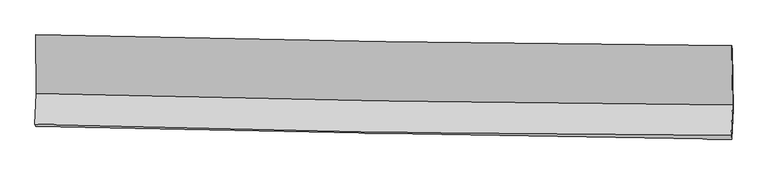
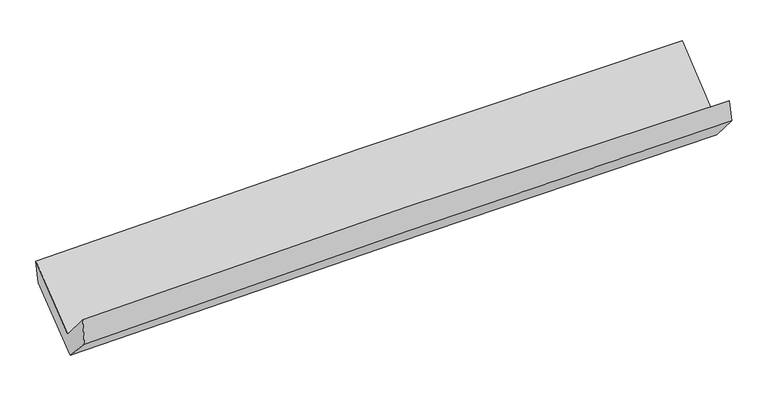
"""IFC4 building model written with IfcOpenShell, lengths in millimetres: proxy geometry."""

from ifc_helpers import new_model, si_unit, frame, origin, place, context, project, spatial, source, transform, mapped, element, save
from ifc_brep_helpers import plane_surface, spline_curve, spline_surface, advanced_brep


def generic_models_88f16576(model_context):
    return source(origin(), model_context, "Body", "AdvancedBrep", [
        advanced_brep(
        [(-3022.8100093, -1154.2475152, 2163.6171188), (-3017.6919634, -1664.5182044, 1745.05096), (3010.6122586, -1762.5754802, 1864.3350677), (3005.0817328, -1248.2146132, 2298.9947326), (-3030.4655854, -1931.5414408, 2055.911689), (2997.7527271, -2028.3837915, 2178.7206054), (-3023.7966574, -1947.6388771, 1819.5449526), (3002.5977453, -2059.9910955, 1997.5140145), (-3012.5331133, -1698.7962348, 1551.8099372), (3015.0525649, -1796.9683248, 1695.6805599), (-3017.6332151, -1190.3145809, 1968.9085815), (3009.6155699, -1281.7546312, 2127.5389646)],
        [
            (0, 1),
            (1, 2, spline_curve(3, [(-3017.6919634, -1664.5182044, 1745.05096), (-2013.699212332, -1689.520162079, 1787.336558592), (-1009.368642998, -1710.192393051, 1818.419761846), (1000.066031618, -1742.878995659, 1858.183314457), (2005.170203259, -1754.892522994, 1866.861480377), (3010.6122586, -1762.5754802, 1864.3350677)], [4, 2, 4], [0.0, 9.892285278204245, 19.78553451910098])),
            (2, 3),
            (3, 0, spline_curve(3, [(3005.0817328, -1248.2146132, 2298.9947326), (1999.825981522, -1240.588818858, 2295.104950043), (994.849333887, -1228.944752795, 2281.877586551), (-1014.447858965, -1197.621603687, 2236.749895896), (-2018.768458929, -1177.943303775, 2204.851388065), (-3022.8100093, -1154.2475152, 2163.6171188)], [4, 2, 4], [0.0, 9.893249240896736, 19.78553451910098])),
            (1, 4),
            (4, 5, spline_curve(3, [(-3030.4655854, -1931.5414408, 2055.911689), (-2026.833472056, -1962.599295061, 2107.680195475), (-1022.690389363, -1986.198388376, 2143.798789154), (986.715615386, -2018.480625433, 2184.738144635), (1991.978636513, -2027.162315765, 2189.555856717), (2997.7527271, -2028.3837915, 2178.7206054)], [4, 2, 4], [0.0, 9.89291383698896, 19.78679169792089])),
            (5, 2),
            (4, 6),
            (6, 7, spline_curve(3, [(-3023.7966574, -1947.6388771, 1819.5449526), (-2019.847212543, -1970.454245461, 1864.357183741), (-1015.697433816, -1991.224257818, 1901.593700976), (993.100661222, -2028.675395824, 1960.918198348), (1997.749016832, -2045.356122847, 1983.004701448), (3002.5977453, -2059.9910955, 1997.5140145)], [4, 2, 4], [0.0, 9.89229833209009, 19.785560628144722])),
            (7, 5),
            (6, 8),
            (8, 9, spline_curve(3, [(-3012.5331133, -1698.7962348, 1551.8099372), (-2008.300043916, -1721.110587344, 1587.134398063), (-1003.909182424, -1740.448517295, 1616.785539397), (1005.286012577, -1773.173127667, 1664.743519144), (2010.090377534, -1786.559227415, 1683.049252356), (3015.0525649, -1796.9683248, 1695.6805599)], [4, 2, 4], [0.0, 9.891588272878634, 19.784140440529445])),
            (9, 7),
            (8, 10),
            (10, 11, spline_curve(3, [(-3017.6332151, -1190.3145809, 1968.9085815), (-2013.517284955, -1214.12463033, 2007.537698224), (-1009.21306779, -1233.649496692, 2040.071108186), (999.869823871, -1264.130348553, 2092.94909046), (2004.648535085, -1275.085498847, 2113.292475148), (3009.6155699, -1281.7546312, 2127.5389646)], [4, 2, 4], [0.0, 9.891581990275073, 19.78412787471011])),
            (11, 9),
            (10, 0),
            (3, 11),
        ],
        [
            spline_surface(3, 3, [[(-3022.8100093, -1154.2475152, 2163.6171188), (-2018.768458934, -1177.943303734, 2204.85138809), (-1014.447859031, -1197.621603727, 2236.749895826), (994.849333953, -1228.944752755, 2281.877586621), (1999.825981408, -1240.588818734, 2295.1049502), (3005.0817328, -1248.2146132, 2298.9947326)], [(-3021.103993987, -1324.337744935, 2024.095065846), (-2017.078710017, -1348.468923133, 2065.67977828), (-1012.754787051, -1368.478533544, 2097.306517851), (996.588233212, -1400.256167055, 2140.646162583), (2001.607388701, -1412.023386814, 2152.357126994), (3006.925241404, -1419.668235529, 2154.108177647)], [(-3019.397978713, -1494.427974665, 1884.573012954), (-2015.388961139, -1518.994542529, 1926.508168533), (-1011.061715081, -1539.335463299, 1957.863139824), (998.327132462, -1571.567581294, 1999.414738492), (2003.388795981, -1583.457954907, 2009.609303747), (3008.768749996, -1591.121857871, 2009.221622653)], [(-3017.6919634, -1664.5182044, 1745.05096), (-2013.699212222, -1689.520161928, 1787.336558724), (-1009.368643101, -1710.192393116, 1818.419761849), (1000.066031721, -1742.878995594, 1858.183314454), (2005.170203274, -1754.892522988, 1866.861480541), (3010.6122586, -1762.5754802, 1864.3350677)]], [4, 4], [4, 2, 4], [0.0, 2.178008761934448], [0.0, 9.892285278204245, 19.78553451910098]),
            spline_surface(3, 3, [[(-3017.6919634, -1664.5182044, 1745.05096), (-2013.699212222, -1689.520161928, 1787.336558724), (-1009.368643101, -1710.192393116, 1818.419761849), (1000.066031721, -1742.878995594, 1858.183314454), (2005.170203274, -1754.892522988, 1866.861480541), (3010.6122586, -1762.5754802, 1864.3350677)], [(-3021.949837397, -1753.525949881, 1848.671203013), (-2018.077298869, -1780.546539636, 1894.117770998), (-1013.809225143, -1802.19439148, 1926.879437565), (995.615892928, -1834.746205559, 1967.034924514), (2000.773014375, -1845.649120613, 1974.42627256), (3006.325748099, -1851.178250629, 1969.130246917)], [(-3026.207711403, -1842.533695319, 1952.291445987), (-2022.455385524, -1871.572917302, 2000.898983231), (-1018.24980723, -1894.196389901, 2035.33911336), (991.16575409, -1926.61341558, 2075.886534653), (1996.37582548, -1936.405718251, 2081.991064627), (3002.039237601, -1939.781021071, 2073.925426183)], [(-3030.4655854, -1931.5414408, 2055.911689), (-2026.833472171, -1962.599295011, 2107.680195505), (-1022.690389273, -1986.198388265, 2143.798789077), (986.715615297, -2018.480625544, 2184.738144713), (1991.978636582, -2027.162315876, 2189.555856646), (2997.7527271, -2028.3837915, 2178.7206054)]], [4, 4], [4, 2, 4], [0.0, 1.4015756445393286], [0.0, 9.89291383698896, 19.78679169792089]),
            spline_surface(3, 3, [[(-3030.4655854, -1931.5414408, 2055.911689), (-2026.833472171, -1962.599295011, 2107.680195505), (-1022.690389273, -1986.198388265, 2143.798789077), (986.715615297, -2018.480625544, 2184.738144713), (1991.978636582, -2027.162315876, 2189.555856646), (2997.7527271, -2028.3837915, 2178.7206054)], [(-3028.242609422, -1936.90725289, 1977.122776876), (-2024.504719017, -1965.217611769, 2026.572524938), (-1020.359404177, -1987.873678108, 2063.063759767), (988.843963939, -2021.878882335, 2110.131495899), (1993.902096647, -2033.226918222, 2120.705471629), (2999.367733174, -2038.919559512, 2118.318408438)], [(-3026.019633378, -1942.27306501, 1898.333864724), (-2022.175965797, -1967.835928557, 1945.464854341), (-1018.028418998, -1989.548967917, 1982.328730409), (990.972312665, -2025.27713909, 2035.524847038), (1995.825556691, -2039.291520533, 2051.855086598), (3000.982739226, -2049.455327488, 2057.916211462)], [(-3023.7966574, -1947.6388771, 1819.5449526), (-2019.847212644, -1970.454245316, 1864.357183774), (-1015.697433902, -1991.22425776, 1901.593701099), (993.100661307, -2028.675395881, 1960.918198225), (1997.749016756, -2045.35612288, 1983.004701581), (3002.5977453, -2059.9910955, 1997.5140145)]], [4, 4], [4, 2, 4], [0.0, 0.7651962386010486], [0.0, 9.89229833209009, 19.785560628144722]),
            spline_surface(3, 3, [[(-3023.7966574, -1947.6388771, 1819.5449526), (-2019.847212644, -1970.454245316, 1864.357183774), (-1015.697433902, -1991.22425776, 1901.593701099), (993.100661307, -2028.675395881, 1960.918198225), (1997.749016756, -2045.35612288, 1983.004701581), (3002.5977453, -2059.9910955, 1997.5140145)], [(-3020.042142697, -1864.691329671, 1730.299947437), (-2015.998156367, -1887.339692634, 1771.949588503), (-1011.768016775, -1907.632344308, 1806.657647161), (997.162445133, -1943.507973097, 1862.19330524), (2001.862803667, -1959.090491044, 1883.019551809), (3006.749351807, -1972.316838608, 1896.902862975)], [(-3016.287628003, -1781.743782229, 1641.054942363), (-2012.149100099, -1804.225139939, 1679.54199332), (-1007.838599702, -1824.040430871, 1711.721593216), (1001.224228903, -1858.340550327, 1763.468412248), (2005.976590656, -1872.824859186, 1783.034402011), (3010.900958393, -1884.642581692, 1796.291711425)], [(-3012.5331133, -1698.7962348, 1551.8099372), (-2008.300043821, -1721.110587257, 1587.134398049), (-1003.909182576, -1740.448517419, 1616.785539278), (1005.286012728, -1773.173127543, 1664.743519263), (2010.090377567, -1786.55922735, 1683.049252239), (3015.0525649, -1796.9683248, 1695.6805599)]], [4, 4], [4, 2, 4], [0.0, 1.2647573669107381], [0.0, 9.891588272878634, 19.784140440529445]),
            spline_surface(3, 3, [[(-3012.5331133, -1698.7962348, 1551.8099372), (-2008.300043821, -1721.110587257, 1587.134398049), (-1003.909182576, -1740.448517419, 1616.785539278), (1005.286012728, -1773.173127543, 1664.743519263), (2010.090377567, -1786.55922735, 1683.049252239), (3015.0525649, -1796.9683248, 1695.6805599)], [(-3014.233147235, -1529.302350174, 1690.842818648), (-2010.039124166, -1552.115268252, 1727.268831449), (-1005.677144307, -1571.515510487, 1757.880728882), (1003.480616446, -1603.49220122, 1807.478709682), (2008.276430101, -1616.067984537, 1826.463659828), (3013.240233255, -1625.230426921, 1839.63336147)], [(-3015.933181165, -1359.808465526, 1829.875700052), (-2011.778204506, -1383.119949226, 1867.403264804), (-1007.445106053, -1402.582503579, 1898.975918504), (1001.675220149, -1433.81127492, 1950.213900119), (2006.462482569, -1445.57674176, 1969.878067407), (3011.427901545, -1453.492529079, 1983.58616303)], [(-3017.6332151, -1190.3145809, 1968.9085815), (-2013.517284851, -1214.124630221, 2007.537698204), (-1009.213067785, -1233.649496647, 2040.071108108), (999.869823866, -1264.130348597, 2092.949090538), (2004.648535103, -1275.085498947, 2113.292474996), (3009.6155699, -1281.7546312, 2127.5389646)]], [4, 4], [4, 2, 4], [0.0, 2.1744618184613875], [0.0, 9.891581990275073, 19.78412787471011]),
            spline_surface(3, 3, [[(-3017.6332151, -1190.3145809, 1968.9085815), (-2013.517284851, -1214.124630221, 2007.537698204), (-1009.213067785, -1233.649496647, 2040.071108108), (999.869823866, -1264.130348597, 2092.949090538), (2004.648535103, -1275.085498947, 2113.292474996), (3009.6155699, -1281.7546312, 2127.5389646)], [(-3019.358813161, -1178.292225649, 2033.811427279), (-2015.267676207, -1202.064188041, 2073.308928178), (-1010.957998213, -1221.640199006, 2105.63070401), (998.196327215, -1252.401816649, 2155.925255895), (2003.041017199, -1263.586605543, 2173.896633383), (3008.104290861, -1270.574625201, 2184.690887253)], [(-3021.084411239, -1166.269870451, 2098.714273021), (-2017.018067578, -1190.003745914, 2139.080158116), (-1012.702928602, -1209.630901368, 2171.190299924), (996.522830604, -1240.673284703, 2218.901421264), (2001.433499312, -1252.087712137, 2234.500791812), (3006.593011839, -1259.394619199, 2241.842809947)], [(-3022.8100093, -1154.2475152, 2163.6171188), (-2018.768458934, -1177.943303734, 2204.85138809), (-1014.447859031, -1197.621603727, 2236.749895826), (994.849333953, -1228.944752755, 2281.877586621), (1999.825981408, -1240.588818734, 2295.1049502), (3005.0817328, -1248.2146132, 2298.9947326)]], [4, 4], [4, 2, 4], [0.0, 0.6434732340329655], [0.0, 9.891748685957056, 19.78446128231789]),
            plane_surface(frame((3006.7854331, -1696.3146561, 2027.1306574), z_axis=(0.9994787871329553, -0.013882350703894994, 0.029145058074586252), x_axis=(-0.008087253425073155, 0.7663541641543005, 0.642367411545295))),
            plane_surface(frame((-3020.8217573, -1597.8428089, 1884.1405399), z_axis=(-0.9994787871329354, 0.013882350704343155, -0.02914505807505037), x_axis=(0.026133746476933648, -0.18207553148889866, -0.9829371943965263))),
        ],
        [
            (0, [[1, 2, 3, 4]]),
            (1, [[5, 6, 7, -2]]),
            (2, [[8, 9, 10, -6]]),
            (3, [[11, 12, 13, -9]]),
            (4, [[14, 15, 16, -12]]),
            (5, [[17, -4, 18, -15]]),
            (6, [[-16, -18, -3, -7, -10, -13]]),
            (7, [[-17, -14, -11, -8, -5, -1]]),
        ],
    ),
    ])


if __name__ == "__main__":
    model = new_model("IFC4")
    model_context = context("Model", 3, world=origin())
    ifc_project = project(units=[si_unit("LENGTHUNIT", "METRE", prefix="MILLI")], contexts=[model_context])
    site = spatial("IfcSite", under=ifc_project)
    building = spatial("IfcBuilding", under=site)
    placement = place(None, origin())
    generic_models_shape = generic_models_88f16576(model_context)
    element("IfcBuildingElementProxy", 1, Name="Generic Models", at=placement, inside=building, context=model_context, shape_type="MappedRepresentation", body=[
        mapped(generic_models_shape, transform((0.0, 0.0, 0.0), x_axis=(1.0, 0.0, 0.0), y_axis=(0.0, 1.0, 0.0), z_axis=(0.0, 0.0, 1.0))),
    ])
    save(model, "model.ifc")
